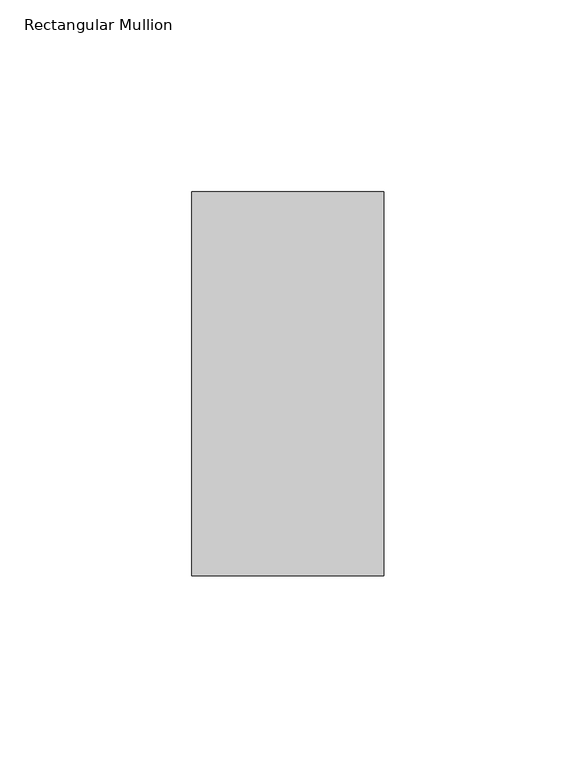
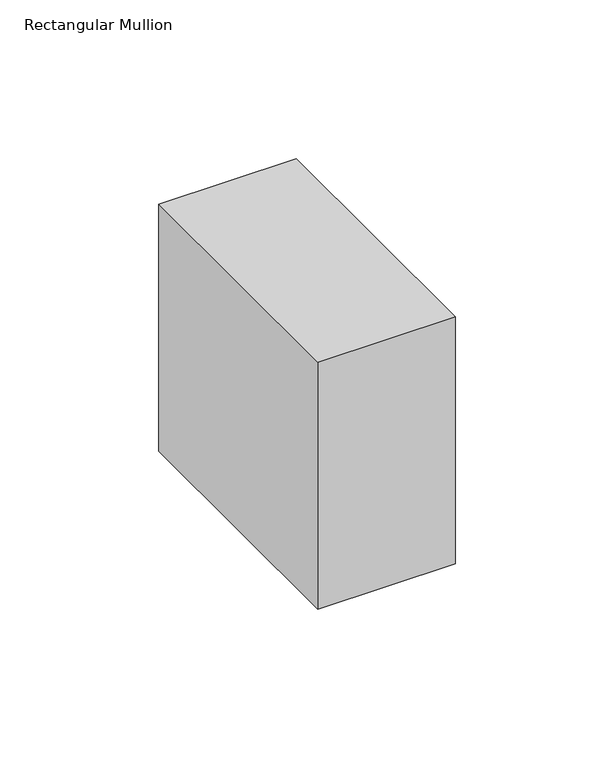
"""IFC4 building model written with IfcOpenShell, lengths in millimetres: member geometry, Rectangular Mullion."""

from ifc_helpers import new_model, si_unit, frame, origin, place, context, project, spatial, polyline, outline, extrude, source, transform, mapped, element, save


def rectangular_mullion_40d4023e(model_context):
    return source(origin(), model_context, "Body", "SweptSolid", [
        extrude(outline(polyline([(25.0, 69.0), (25.0, -31.0), (-25.0, -31.0), (-25.0, 69.0), (25.0, 69.0)])), frame((0.0, 0.0, -95.0), z_axis=(0.0, 0.0, 1.0), x_axis=(1.0, 0.0, 0.0)), (0.0, 0.0, 1.0), 95.0),
    ])


if __name__ == "__main__":
    model = new_model("IFC4")
    model_context = context("Model", 3, world=origin())
    ifc_project = project(units=[si_unit("LENGTHUNIT", "METRE", prefix="MILLI")], contexts=[model_context])
    site = spatial("IfcSite", under=ifc_project)
    building = spatial("IfcBuilding", under=site)
    placement = place(None, origin())
    rectangular_mullion_shape = rectangular_mullion_40d4023e(model_context)
    element("IfcMember", 1, ObjectType="Rectangular Mullion", at=placement, inside=building, context=model_context, shape_type="MappedRepresentation", body=[
        mapped(rectangular_mullion_shape, transform((0.0, 0.0, 0.0), x_axis=(1.0, 0.0, 0.0), y_axis=(0.0, 1.0, 0.0), z_axis=(0.0, 0.0, 1.0))),
    ])
    save(model, "model.ifc")
